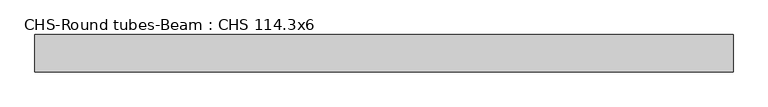
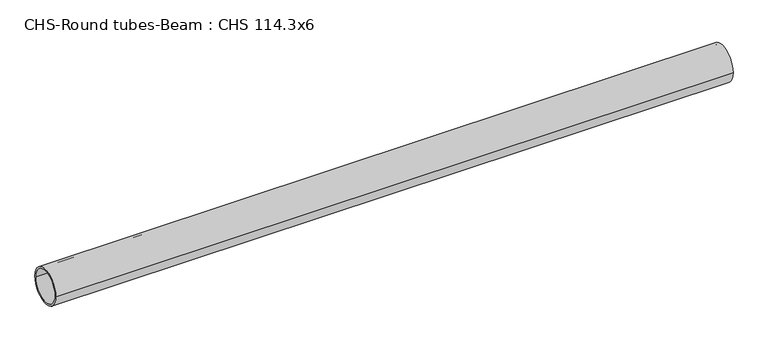
"""IFC4 building model written with IfcOpenShell, lengths in millimetres: beam geometry, CHS-Round tubes-Beam : CHS 114.3x6."""

import ifcopenshell
import ifcopenshell.guid

model = None  # the IFC model being written
_history = None  # IfcOwnerHistory: only IFC2X3 demands one
_inside = {}  # id of a spatial element -> (the spatial element, [elements in it])
_under = {}  # id of a project, library or spatial element -> (it, [spatial elements below it])
_declared = {}  # id of a project -> (the project, [libraries it declares])
_typed = {}  # id of a type object -> (the type object, [elements of that type])
_made_of = {}  # id of a material, layer set ... -> (it, [elements and type objects made of it])


def new_model(schema):
    """Start an empty IFC model of exactly this schema.

    Asked for "IFC4X3", IfcOpenShell would pick the latest addendum, in which some entities
    have other attributes; the version numbers below select the first issue.
    IFC2X3 requires an IfcOwnerHistory on every rooted entity: one is made here for all.
    """
    global model, _history
    if schema == "IFC4X3":
        model = ifcopenshell.file(schema_version=(4, 3, 0, 0))
    else:
        model = ifcopenshell.file(schema=schema)
    _inside.clear()
    _under.clear()
    _declared.clear()
    _typed.clear()
    _made_of.clear()
    _history = None
    if model.schema == "IFC2X3":
        org = make("IfcOrganization", Name="unknown")
        user = make(
            "IfcPersonAndOrganization",
            ThePerson=make("IfcPerson", FamilyName="unknown"),
            TheOrganization=org,
        )
        app = make(
            "IfcApplication",
            ApplicationDeveloper=org,
            Version="unknown",
            ApplicationFullName="unknown",
            ApplicationIdentifier="unknown",
        )
        _history = make(
            "IfcOwnerHistory",
            OwningUser=user,
            OwningApplication=app,
            ChangeAction="ADDED",
            CreationDate=0,
        )
    return model


def make(cls, **values):
    """One entity of the class cls with the attributes given. An attribute that is None is left unset."""
    return model.create_entity(
        cls, **{name: value for name, value in values.items() if value is not None}
    )


def rooted(cls, **values):
    """An entity with a GlobalId (a new one), such as an element, a storey or a relation."""
    return make(cls, GlobalId=ifcopenshell.guid.new(), OwnerHistory=_history, **values)


def si_unit(unit_type, name, prefix=None):
    """IfcSIUnit, for example si_unit("LENGTHUNIT", "METRE", prefix="MILLI")."""
    return make("IfcSIUnit", UnitType=unit_type, Prefix=prefix, Name=name)


def assignment(units):
    """IfcUnitAssignment: the units of a project."""
    return None if units is None else make("IfcUnitAssignment", Units=units)


def point(xyz):
    """IfcCartesianPoint."""
    return None if xyz is None else make("IfcCartesianPoint", Coordinates=xyz)


def direction(xyz):
    """IfcDirection."""
    return None if xyz is None else make("IfcDirection", DirectionRatios=xyz)


def frame(location, z_axis=None, x_axis=None):
    """IfcAxis2Placement3D, a coordinate frame: its origin and axes. An axis left out is left unset."""
    return make(
        "IfcAxis2Placement3D",
        Location=point(location),
        Axis=direction(z_axis),
        RefDirection=direction(x_axis),
    )


def frame_2d(location, x_axis=None):
    """IfcAxis2Placement2D, a coordinate frame in the plane: its origin and x axis."""
    return make(
        "IfcAxis2Placement2D", Location=point(location), RefDirection=direction(x_axis)
    )


def origin():
    """The frame at (0, 0, 0) with its axes left unset."""
    return frame((0.0, 0.0, 0.0))


def origin_2d():
    """The frame at (0, 0) in the plane with its x axis left unset."""
    return frame_2d((0.0, 0.0))


def place(relative_to, where):
    """IfcLocalPlacement: puts the frame where relative to a parent placement (None: the world)."""
    return make(
        "IfcLocalPlacement", PlacementRelTo=relative_to, RelativePlacement=where
    )


def context(
    kind, dimensions, precision=None, world=None, true_north=None, identifier=None
):
    """IfcGeometricRepresentationContext, for example the 3D "Model" context."""
    return make(
        "IfcGeometricRepresentationContext",
        ContextIdentifier=identifier,
        ContextType=kind,
        CoordinateSpaceDimension=dimensions,
        Precision=precision,
        WorldCoordinateSystem=world,
        TrueNorth=true_north,
    )


def project(units=None, contexts=None):
    """IfcProject with its units and contexts."""
    return rooted(
        "IfcProject",
        Name="project",
        RepresentationContexts=contexts,
        UnitsInContext=assignment(units),
    )


def spatial(cls, under=None, at=None, **own):
    """A site, building, storey or space (cls), placed at a placement, below another one or the project."""
    s = rooted(cls, ObjectPlacement=at, **own)
    if under is not None:
        _under.setdefault(under.id(), (under, []))[1].append(s)
    return s


def circle_curve(where, radius):
    """IfcCircle in the frame where."""
    return make("IfcCircle", Position=where, Radius=radius)


def trimmed(basis, trim1, trim2, sense, master):
    """IfcTrimmedCurve: the piece of a basis curve between two trims."""
    return make(
        "IfcTrimmedCurve",
        BasisCurve=basis,
        Trim1=trim1,
        Trim2=trim2,
        SenseAgreement=sense,
        MasterRepresentation=master,
    )


def segment(curve, same_sense, transition):
    """IfcCompositeCurveSegment."""
    return make(
        "IfcCompositeCurveSegment",
        Transition=transition,
        SameSense=same_sense,
        ParentCurve=curve,
    )


def composite_curve(segments, self_intersect=None):
    """IfcCompositeCurve: segments joined end to end."""
    return make("IfcCompositeCurve", Segments=segments, SelfIntersect=self_intersect)


def outline(outer, holes=None, kind="AREA"):
    """IfcArbitraryClosedProfileDef: a profile drawn as a closed curve; with holes, ...WithVoids."""
    if holes is None:
        return make("IfcArbitraryClosedProfileDef", ProfileType=kind, OuterCurve=outer)
    return make(
        "IfcArbitraryProfileDefWithVoids",
        ProfileType=kind,
        OuterCurve=outer,
        InnerCurves=holes,
    )


def extrude(swept, where, along, depth):
    """IfcExtrudedAreaSolid: the profile swept, set in the frame where, extruded along a direction by depth."""
    return make(
        "IfcExtrudedAreaSolid",
        SweptArea=swept,
        Position=where,
        ExtrudedDirection=direction(along),
        Depth=depth,
    )


def shape(context_of_items, identifier, shape_type, items):
    """IfcShapeRepresentation: the items that make up one representation, for example the "Body"."""
    return make(
        "IfcShapeRepresentation",
        ContextOfItems=context_of_items,
        RepresentationIdentifier=identifier,
        RepresentationType=shape_type,
        Items=items,
    )


def source(mapping_origin, context_of_items, identifier, shape_type, items):
    """IfcRepresentationMap: a shape defined once, which mapped items show again and again."""
    return make(
        "IfcRepresentationMap",
        MappingOrigin=mapping_origin,
        MappedRepresentation=shape(context_of_items, identifier, shape_type, items),
    )


def transform(
    local_origin,
    x_axis=None,
    y_axis=None,
    z_axis=None,
    scale=None,
    scale2=None,
    scale3=None,
    uniform=True,
):
    """IfcCartesianTransformationOperator3D, or its non-uniform kind. x_axis, y_axis, z_axis: its Axis1, 2, 3."""
    if uniform:
        return make(
            "IfcCartesianTransformationOperator3D",
            Axis1=direction(x_axis),
            Axis2=direction(y_axis),
            LocalOrigin=point(local_origin),
            Scale=scale,
            Axis3=direction(z_axis),
        )
    return make(
        "IfcCartesianTransformationOperator3DnonUniform",
        Axis1=direction(x_axis),
        Axis2=direction(y_axis),
        LocalOrigin=point(local_origin),
        Scale=scale,
        Axis3=direction(z_axis),
        Scale2=scale2,
        Scale3=scale3,
    )


def mapped(mapping_source, mapping_target):
    """IfcMappedItem: shows the shape of a source again, moved by a transform."""
    return make(
        "IfcMappedItem", MappingSource=mapping_source, MappingTarget=mapping_target
    )


def made_of(thing, what):
    """Note that an element or type object is made of a material, layer set ...; save() writes the relation."""
    if what is not None:
        _made_of.setdefault(what.id(), (what, []))[1].append(thing)
    return thing


def element(
    cls,
    number,
    at=None,
    inside=None,
    cuts=None,
    type_object=None,
    material=None,
    context=None,
    identifier="Body",
    shape_type=None,
    held_by="IfcProductDefinitionShape",
    body=None,
    shapes=None,
    **own,
):
    """One element of the class cls, such as IfcWall. Its Tag is "e" and its number.

    at: its placement. inside: the storey or other place that contains it. cuts: it is an
    opening in that element (IfcRelVoidsElement). A single representation is given by context,
    identifier, shape_type and body (its items); several are given by shapes. held_by: the class
    of the entity that holds the representations. save() writes the other relations.
    """
    e = rooted(cls, Tag="e%d" % number, ObjectPlacement=at, **own)
    if body is not None:
        shapes = [shape(context, identifier, shape_type, body)]
    if shapes is not None:
        e.Representation = make(held_by, Representations=shapes)
    if inside is not None:
        _inside.setdefault(inside.id(), (inside, []))[1].append(e)
    if cuts is not None:
        rooted(
            "IfcRelVoidsElement", RelatingBuildingElement=cuts, RelatedOpeningElement=e
        )
    if type_object is not None:
        _typed.setdefault(type_object.id(), (type_object, []))[1].append(e)
    return made_of(e, material)


def aggregate(whole, parts):
    """IfcRelAggregates: a whole, such as a stair, and the parts it consists of."""
    return rooted("IfcRelAggregates", RelatingObject=whole, RelatedObjects=parts)


def save(model, path):
    """Write the relations noted so far, then the file.

    IfcRelAggregates (storeys below a building ...), IfcRelContainedInSpatialStructure (elements
    in a storey), IfcRelDefinesByType, IfcRelAssociatesMaterial and IfcRelDeclares: one each for
    every whole, place, type object, material and project.
    """
    for whole, parts in _under.values():
        aggregate(whole, parts)
    for where, things in _inside.values():
        rooted(
            "IfcRelContainedInSpatialStructure",
            RelatedElements=things,
            RelatingStructure=where,
        )
    for kind, things in _typed.values():
        rooted("IfcRelDefinesByType", RelatedObjects=things, RelatingType=kind)
    for what, things in _made_of.values():
        rooted("IfcRelAssociatesMaterial", RelatedObjects=things, RelatingMaterial=what)
    for by, libraries in _declared.values():
        rooted("IfcRelDeclares", RelatingContext=by, RelatedDefinitions=libraries)
    model.write(path)


def chs_round_tubes_beam_chs_114_3x6_5025da75(model_context):
    return source(origin(), model_context, "Body", "SweptSolid", [
        extrude(outline(composite_curve([segment(trimmed(circle_curve(origin_2d(), 57.15), [point((57.15, 0.0))], [point((-57.15, 0.0))], False, "CARTESIAN"), True, "CONTINUOUS"), segment(trimmed(circle_curve(origin_2d(), 57.15), [point((-57.15, 0.0))], [point((57.15, 0.0))], False, "CARTESIAN"), True, "CONTINUOUS")], self_intersect=False), holes=[composite_curve([segment(trimmed(circle_curve(origin_2d(), 51.15), [point((51.15, 0.0))], [point((-51.15, 0.0))], True, "CARTESIAN"), True, "CONTINUOUS"), segment(trimmed(circle_curve(origin_2d(), 51.15), [point((-51.15, 0.0))], [point((51.15, 0.0))], True, "CARTESIAN"), True, "CONTINUOUS")], self_intersect=False)]), frame((-905.8407954, 0.0, 0.0), z_axis=(1.0, 0.0, 0.0), x_axis=(0.0, 1.0, 0.0)), (0.0, 0.0, 1.0), 2133.412844),
    ])


if __name__ == "__main__":
    model = new_model("IFC4")
    model_context = context("Model", 3, world=origin())
    ifc_project = project(units=[si_unit("LENGTHUNIT", "METRE", prefix="MILLI")], contexts=[model_context])
    site = spatial("IfcSite", under=ifc_project)
    building = spatial("IfcBuilding", under=site)
    placement = place(None, origin())
    chs_round_tubes_beam_chs_114_3x6_shape = chs_round_tubes_beam_chs_114_3x6_5025da75(model_context)
    element("IfcBeam", 1, ObjectType="CHS-Round tubes-Beam : CHS 114.3x6", at=placement, inside=building, context=model_context, shape_type="MappedRepresentation", body=[
        mapped(chs_round_tubes_beam_chs_114_3x6_shape, transform((0.0, 0.0, 0.0), x_axis=(1.0, 0.0, 0.0), y_axis=(0.0, 1.0, 0.0), z_axis=(0.0, 0.0, 1.0))),
    ])
    save(model, "model.ifc")
